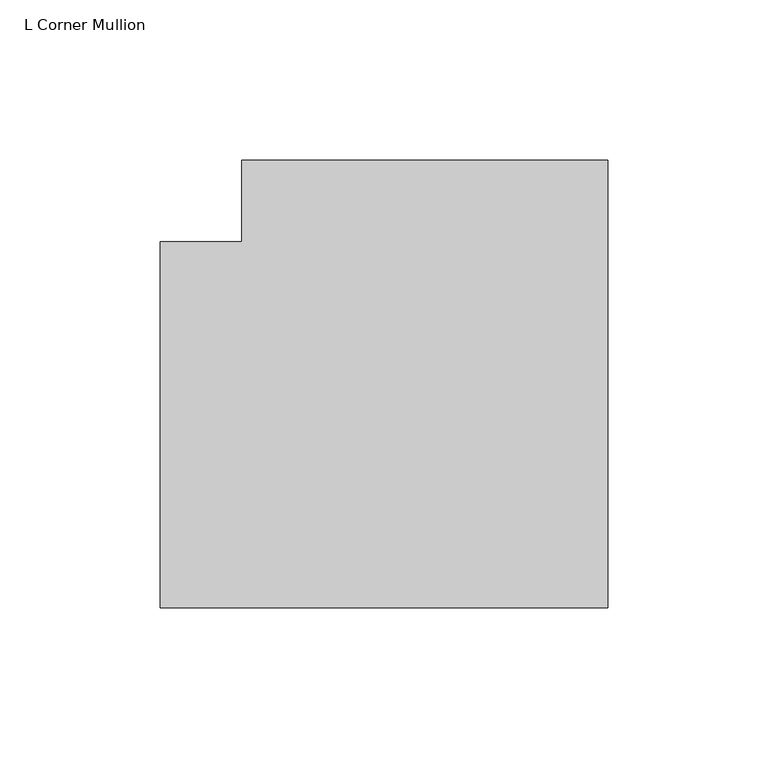
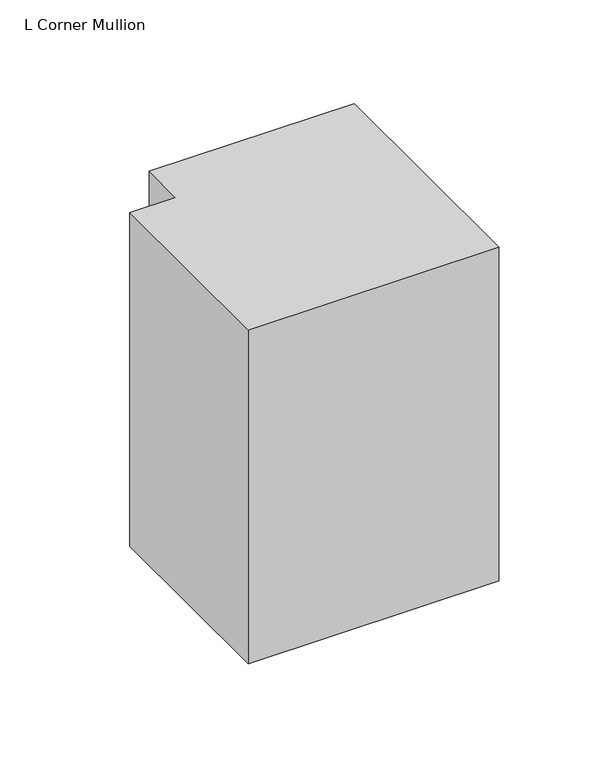
"""IFC4 building model written with IfcOpenShell, lengths in millimetres: member geometry, L Corner Mullion."""

from ifc_helpers import new_model, si_unit, frame, origin, place, context, project, spatial, polyline, outline, extrude, source, transform, mapped, element, save


def l_corner_mullion_21571ce8(model_context):
    return source(origin(), model_context, "Body", "SweptSolid", [
        extrude(outline(polyline([(57.15, 82.55), (57.15, -57.15), (-82.55, -57.15), (-82.55, 57.15), (-57.15, 57.15), (-57.15, 82.55), (57.15, 82.55)])), frame((0.0, 0.0, -196.85), z_axis=(0.0, 0.0, 1.0), x_axis=(1.0, 0.0, 0.0)), (0.0, 0.0, 1.0), 196.85),
    ])


if __name__ == "__main__":
    model = new_model("IFC4")
    model_context = context("Model", 3, world=origin())
    ifc_project = project(units=[si_unit("LENGTHUNIT", "METRE", prefix="MILLI")], contexts=[model_context])
    site = spatial("IfcSite", under=ifc_project)
    building = spatial("IfcBuilding", under=site)
    placement = place(None, origin())
    l_corner_mullion_shape = l_corner_mullion_21571ce8(model_context)
    element("IfcMember", 1, ObjectType="L Corner Mullion", at=placement, inside=building, context=model_context, shape_type="MappedRepresentation", body=[
        mapped(l_corner_mullion_shape, transform((0.0, 0.0, 0.0), x_axis=(1.0, 0.0, 0.0), y_axis=(0.0, 1.0, 0.0), z_axis=(0.0, 0.0, 1.0))),
    ])
    save(model, "model.ifc")
